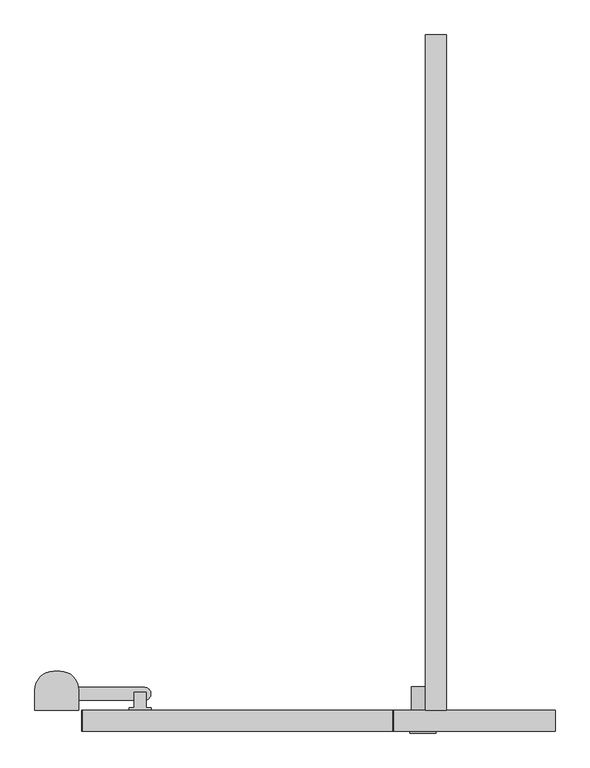
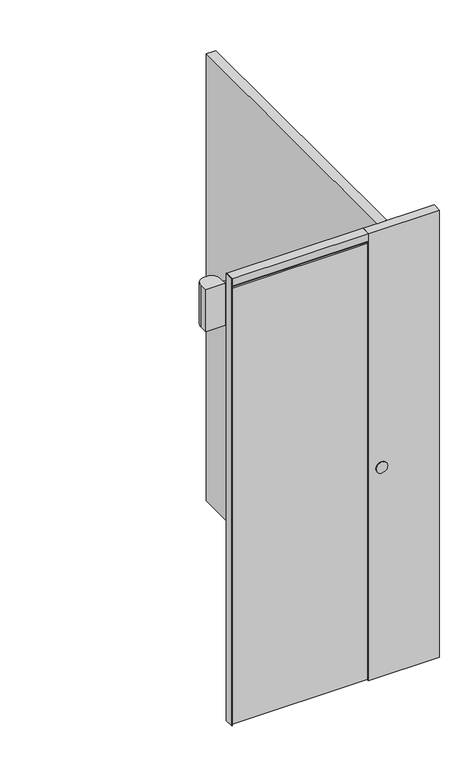
"""IFC4 building model written with IfcOpenShell, lengths in millimetres: proxy geometry."""

from ifc_helpers import new_model, si_unit, point, frame, frame_2d, origin, origin_with_axes, place, context, project, spatial, polyline, circle_curve, trimmed, segment, composite_curve, outline, extrude, source, transform, mapped, element, save


def specialty_equipment_dd41e5ec(model_context):
    return source(origin(), model_context, "Body", "SweptSolid", [
        extrude(outline(polyline([(-268.312138, 42.0), (-311.312138, 42.0), (-311.312138, 47.0), (-301.312138, 47.0), (-301.312138, 77.9983508), (-278.312138, 77.9983508), (-278.312138, 47.0), (-268.312138, 47.0), (-268.312138, 42.0)])), frame((0.0, 0.0, 2067.5), z_axis=(0.0, 0.0, 1.0), x_axis=(1.0, 0.0, 0.0)), (0.0, 0.0, 1.0), 18.0),
        extrude(outline(composite_curve([segment(trimmed(circle_curve(frame_2d((-448.5, 82.0)), 37.0), [point((-411.5, 82.0))], [point((-411.8393944, 87.0))], True, "CARTESIAN"), True, "CONTINUOUS"), segment(polyline([(-411.8393944, 87.0), (-280.5, 87.0)]), True, "CONTINUOUS"), segment(trimmed(circle_curve(frame_2d((-280.5, 75.0)), 12.0), [point((-280.5, 87.0))], [point((-268.5, 75.0))], False, "CARTESIAN"), True, "CONTINUOUS"), segment(polyline([(-268.5, 75.0), (-268.5, 74.0)]), True, "CONTINUOUS"), segment(trimmed(circle_curve(frame_2d((-280.5, 74.0)), 12.0), [point((-268.5, 74.0))], [point((-280.5, 62.0))], False, "CARTESIAN"), True, "CONTINUOUS"), segment(polyline([(-280.5, 62.0), (-411.5, 62.0), (-411.5, 82.0)]), True, "CONTINUOUS")], self_intersect=False)), frame((0.0, 0.0, 2057.5), z_axis=(0.0, 0.0, 1.0), x_axis=(1.0, 0.0, 0.0)), (0.0, 0.0, 1.0), 10.0),
        extrude(outline(composite_curve([segment(polyline([(-411.5, 42.0), (-498.5, 42.0), (-498.5, 82.0)]), True, "CONTINUOUS"), segment(trimmed(circle_curve(frame_2d((-461.5, 82.0)), 37.0), [point((-498.5, 82.0))], [point((-461.5, 119.0))], False, "CARTESIAN"), True, "CONTINUOUS"), segment(polyline([(-461.5, 119.0), (-448.5, 119.0)]), True, "CONTINUOUS"), segment(trimmed(circle_curve(frame_2d((-448.5, 82.0)), 37.0), [point((-448.5, 119.0))], [point((-411.5, 82.0))], False, "CARTESIAN"), True, "CONTINUOUS"), segment(polyline([(-411.5, 82.0), (-411.5, 42.0)]), True, "CONTINUOUS")], self_intersect=False)), frame((0.0, 0.0, 1890.5), z_axis=(0.0, 0.0, 1.0), x_axis=(1.0, 0.0, 0.0)), (0.0, 0.0, 1.0), 200.0),
        extrude(outline(polyline([(211.0, 0.0), (-404.0, 0.0), (-404.0, 42.0), (211.0, 42.0), (211.0, 0.0)])), frame((0.0, 0.0, 2098.0), z_axis=(0.0, 0.0, 1.0), x_axis=(1.0, 0.0, 0.0)), (0.0, 0.0, 1.0), 1.3),
        extrude(outline(polyline([(211.0, 0.0), (-404.0, 0.0), (-404.0, 42.0), (211.0, 42.0), (211.0, 0.0)])), frame((0.0, 0.0, 2099.3), z_axis=(0.0, 0.0, 1.0), x_axis=(1.0, 0.0, 0.0)), (0.0, 0.0, 1.0), 36.7),
        extrude(outline(polyline([(-402.7, 42.0), (-402.7, 0.0), (-404.0, 0.0), (-404.0, 42.0), (-402.7, 42.0)])), frame((0.0, 0.0, 7.5), z_axis=(0.0, 0.0, 1.0), x_axis=(1.0, 0.0, 0.0)), (0.0, 0.0, 1.0), 2083.0),
        extrude(outline(polyline([(209.7, 42.0), (211.0, 42.0), (211.0, 0.0), (209.7, 0.0), (209.7, 42.0)])), frame((0.0, 0.0, 7.5), z_axis=(0.0, 0.0, 1.0), x_axis=(1.0, 0.0, 0.0)), (0.0, 0.0, 1.0), 2083.0),
        extrude(outline(polyline([(209.7, 42.0), (209.7, 0.0), (-402.7, 0.0), (-402.7, 42.0), (209.7, 42.0)])), frame((0.0, 0.0, 7.5), z_axis=(0.0, 0.0, 1.0), x_axis=(1.0, 0.0, 0.0)), (0.0, 0.0, 1.0), 2083.0),
        extrude(outline(polyline([(-405.3, 42.0), (-404.0, 42.0), (-404.0, 0.0), (-405.3, 0.0), (-405.3, 42.0)])), origin_with_axes(), (0.0, 0.0, 1.0), 2136.0),
        extrude(outline(polyline([(212.3, 42.0), (212.3, 0.0), (211.0, 0.0), (211.0, 42.0), (212.3, 42.0)])), origin_with_axes(), (0.0, 0.0, 1.0), 2136.0),
        extrude(outline(composite_curve([segment(trimmed(circle_curve(frame_2d((1000.0, 271.0)), 22.5), [point((1000.0, 248.5))], [point((1000.0, 293.5))], False, "CARTESIAN"), True, "CONTINUOUS"), segment(trimmed(circle_curve(frame_2d((1000.0, 271.0)), 22.5), [point((1000.0, 293.5))], [point((1000.0, 248.5))], False, "CARTESIAN"), True, "CONTINUOUS")], self_intersect=False)), frame((0.0, 42.0, 0.0), z_axis=(0.0, 1.0, 0.0), x_axis=(0.0, 0.0, 1.0)), (0.0, 0.0, 1.0), 47.0),
        extrude(outline(composite_curve([segment(trimmed(circle_curve(frame_2d((1000.0, 271.0)), 26.0), [point((1000.0, 245.0))], [point((1000.0, 297.0))], False, "CARTESIAN"), True, "CONTINUOUS"), segment(trimmed(circle_curve(frame_2d((1000.0, 271.0)), 26.0), [point((1000.0, 297.0))], [point((1000.0, 245.0))], False, "CARTESIAN"), True, "CONTINUOUS")], self_intersect=False)), frame((0.0, -3.0, 0.0), z_axis=(0.0, 1.0, 0.0), x_axis=(0.0, 0.0, 1.0)), (0.0, 0.0, 1.0), 3.0),
        extrude(outline(polyline([(276.0, 42.0), (276.0, 1380.0), (318.0, 1380.0), (318.0, 42.0), (276.0, 42.0)])), origin_with_axes(), (0.0, 0.0, 1.0), 2136.0),
        extrude(outline(polyline([(533.0, 0.0), (212.3, 0.0), (212.3, 42.0), (533.0, 42.0), (533.0, 0.0)])), origin_with_axes(), (0.0, 0.0, 1.0), 2136.0),
    ])


if __name__ == "__main__":
    model = new_model("IFC4")
    model_context = context("Model", 3, world=origin())
    ifc_project = project(units=[si_unit("LENGTHUNIT", "METRE", prefix="MILLI")], contexts=[model_context])
    site = spatial("IfcSite", under=ifc_project)
    building = spatial("IfcBuilding", under=site)
    placement = place(None, origin())
    specialty_equipment_shape = specialty_equipment_dd41e5ec(model_context)
    element("IfcBuildingElementProxy", 1, Name="Specialty Equipment", at=placement, inside=building, context=model_context, shape_type="MappedRepresentation", body=[
        mapped(specialty_equipment_shape, transform((0.0, 0.0, 0.0), x_axis=(1.0, 0.0, 0.0), y_axis=(0.0, 1.0, 0.0), z_axis=(0.0, 0.0, 1.0))),
    ])
    save(model, "model.ifc")
